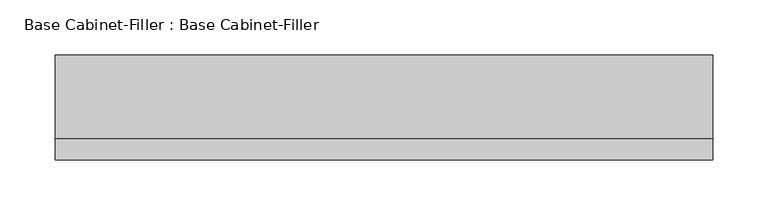
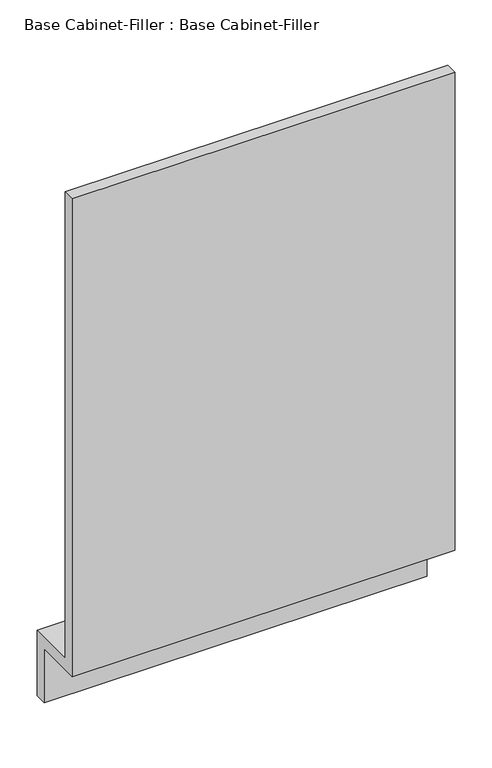
"""IFC4 building model written with IfcOpenShell, lengths in millimetres: furniture geometry, Base Cabinet-Filler : Base Cabinet-Filler."""

from ifc_helpers import new_model, si_unit, frame, origin, place, context, project, spatial, polyline, outline, extrude, source, transform, mapped, element, save


def base_cabinet_filler_base_cabinet_filler_90ae56fd(model_context):
    return source(origin(), model_context, "Body", "SweptSolid", [
        extrude(outline(polyline([(-609.6, 88.9), (-609.6, 876.3), (-590.55, 876.3), (-590.55, 107.95), (-514.35, 107.95), (-514.35, 0.0), (-533.4, 0.0), (-533.4, 88.9), (-609.6, 88.9)])), frame((-279.7122951, 0.0, 0.0), z_axis=(1.0, 0.0, 0.0), x_axis=(0.0, 1.0, 0.0)), (0.0, 0.0, 1.0), 596.9),
    ])


if __name__ == "__main__":
    model = new_model("IFC4")
    model_context = context("Model", 3, world=origin())
    ifc_project = project(units=[si_unit("LENGTHUNIT", "METRE", prefix="MILLI")], contexts=[model_context])
    site = spatial("IfcSite", under=ifc_project)
    building = spatial("IfcBuilding", under=site)
    placement = place(None, origin())
    base_cabinet_filler_base_cabinet_filler_shape = base_cabinet_filler_base_cabinet_filler_90ae56fd(model_context)
    element("IfcFurniture", 1, ObjectType="Base Cabinet-Filler : Base Cabinet-Filler", at=placement, inside=building, context=model_context, shape_type="MappedRepresentation", body=[
        mapped(base_cabinet_filler_base_cabinet_filler_shape, transform((0.0, 0.0, 0.0), x_axis=(1.0, 0.0, 0.0), y_axis=(0.0, 1.0, 0.0), z_axis=(0.0, 0.0, 1.0))),
    ])
    save(model, "model.ifc")
